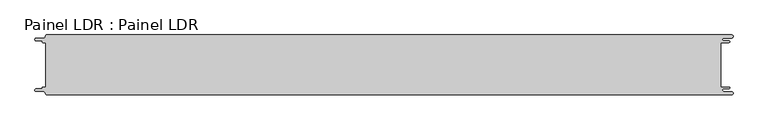
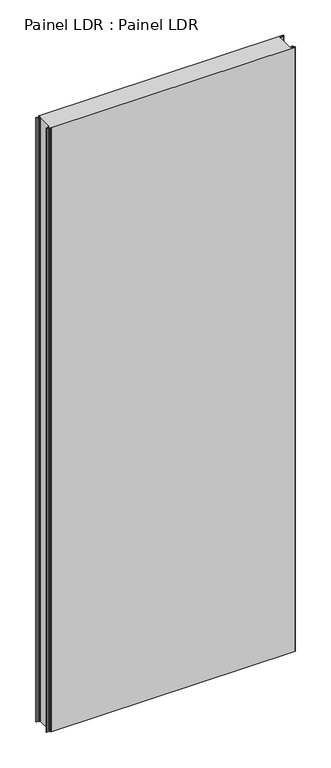
"""IFC4 building model written with IfcOpenShell, lengths in millimetres: proxy geometry, Painel LDR : Painel LDR."""

import ifcopenshell
import ifcopenshell.guid

model = None  # the IFC model being written
_history = None  # IfcOwnerHistory: only IFC2X3 demands one
_inside = {}  # id of a spatial element -> (the spatial element, [elements in it])
_under = {}  # id of a project, library or spatial element -> (it, [spatial elements below it])
_declared = {}  # id of a project -> (the project, [libraries it declares])
_typed = {}  # id of a type object -> (the type object, [elements of that type])
_made_of = {}  # id of a material, layer set ... -> (it, [elements and type objects made of it])


def new_model(schema):
    """Start an empty IFC model of exactly this schema.

    Asked for "IFC4X3", IfcOpenShell would pick the latest addendum, in which some entities
    have other attributes; the version numbers below select the first issue.
    IFC2X3 requires an IfcOwnerHistory on every rooted entity: one is made here for all.
    """
    global model, _history
    if schema == "IFC4X3":
        model = ifcopenshell.file(schema_version=(4, 3, 0, 0))
    else:
        model = ifcopenshell.file(schema=schema)
    _inside.clear()
    _under.clear()
    _declared.clear()
    _typed.clear()
    _made_of.clear()
    _history = None
    if model.schema == "IFC2X3":
        org = make("IfcOrganization", Name="unknown")
        user = make(
            "IfcPersonAndOrganization",
            ThePerson=make("IfcPerson", FamilyName="unknown"),
            TheOrganization=org,
        )
        app = make(
            "IfcApplication",
            ApplicationDeveloper=org,
            Version="unknown",
            ApplicationFullName="unknown",
            ApplicationIdentifier="unknown",
        )
        _history = make(
            "IfcOwnerHistory",
            OwningUser=user,
            OwningApplication=app,
            ChangeAction="ADDED",
            CreationDate=0,
        )
    return model


def make(cls, **values):
    """One entity of the class cls with the attributes given. An attribute that is None is left unset."""
    return model.create_entity(
        cls, **{name: value for name, value in values.items() if value is not None}
    )


def rooted(cls, **values):
    """An entity with a GlobalId (a new one), such as an element, a storey or a relation."""
    return make(cls, GlobalId=ifcopenshell.guid.new(), OwnerHistory=_history, **values)


def si_unit(unit_type, name, prefix=None):
    """IfcSIUnit, for example si_unit("LENGTHUNIT", "METRE", prefix="MILLI")."""
    return make("IfcSIUnit", UnitType=unit_type, Prefix=prefix, Name=name)


def assignment(units):
    """IfcUnitAssignment: the units of a project."""
    return None if units is None else make("IfcUnitAssignment", Units=units)


def point(xyz):
    """IfcCartesianPoint."""
    return None if xyz is None else make("IfcCartesianPoint", Coordinates=xyz)


def direction(xyz):
    """IfcDirection."""
    return None if xyz is None else make("IfcDirection", DirectionRatios=xyz)


def frame(location, z_axis=None, x_axis=None):
    """IfcAxis2Placement3D, a coordinate frame: its origin and axes. An axis left out is left unset."""
    return make(
        "IfcAxis2Placement3D",
        Location=point(location),
        Axis=direction(z_axis),
        RefDirection=direction(x_axis),
    )


def origin():
    """The frame at (0, 0, 0) with its axes left unset."""
    return frame((0.0, 0.0, 0.0))


def place(relative_to, where):
    """IfcLocalPlacement: puts the frame where relative to a parent placement (None: the world)."""
    return make(
        "IfcLocalPlacement", PlacementRelTo=relative_to, RelativePlacement=where
    )


def context(
    kind, dimensions, precision=None, world=None, true_north=None, identifier=None
):
    """IfcGeometricRepresentationContext, for example the 3D "Model" context."""
    return make(
        "IfcGeometricRepresentationContext",
        ContextIdentifier=identifier,
        ContextType=kind,
        CoordinateSpaceDimension=dimensions,
        Precision=precision,
        WorldCoordinateSystem=world,
        TrueNorth=true_north,
    )


def project(units=None, contexts=None):
    """IfcProject with its units and contexts."""
    return rooted(
        "IfcProject",
        Name="project",
        RepresentationContexts=contexts,
        UnitsInContext=assignment(units),
    )


def spatial(cls, under=None, at=None, **own):
    """A site, building, storey or space (cls), placed at a placement, below another one or the project."""
    s = rooted(cls, ObjectPlacement=at, **own)
    if under is not None:
        _under.setdefault(under.id(), (under, []))[1].append(s)
    return s


def polyline(points):
    """IfcPolyline through the points."""
    return make("IfcPolyline", Points=[point(p) for p in points])


def circle_curve(where, radius):
    """IfcCircle in the frame where."""
    return make("IfcCircle", Position=where, Radius=radius)


def shape(context_of_items, identifier, shape_type, items):
    """IfcShapeRepresentation: the items that make up one representation, for example the "Body"."""
    return make(
        "IfcShapeRepresentation",
        ContextOfItems=context_of_items,
        RepresentationIdentifier=identifier,
        RepresentationType=shape_type,
        Items=items,
    )


def source(mapping_origin, context_of_items, identifier, shape_type, items):
    """IfcRepresentationMap: a shape defined once, which mapped items show again and again."""
    return make(
        "IfcRepresentationMap",
        MappingOrigin=mapping_origin,
        MappedRepresentation=shape(context_of_items, identifier, shape_type, items),
    )


def transform(
    local_origin,
    x_axis=None,
    y_axis=None,
    z_axis=None,
    scale=None,
    scale2=None,
    scale3=None,
    uniform=True,
):
    """IfcCartesianTransformationOperator3D, or its non-uniform kind. x_axis, y_axis, z_axis: its Axis1, 2, 3."""
    if uniform:
        return make(
            "IfcCartesianTransformationOperator3D",
            Axis1=direction(x_axis),
            Axis2=direction(y_axis),
            LocalOrigin=point(local_origin),
            Scale=scale,
            Axis3=direction(z_axis),
        )
    return make(
        "IfcCartesianTransformationOperator3DnonUniform",
        Axis1=direction(x_axis),
        Axis2=direction(y_axis),
        LocalOrigin=point(local_origin),
        Scale=scale,
        Axis3=direction(z_axis),
        Scale2=scale2,
        Scale3=scale3,
    )


def mapped(mapping_source, mapping_target):
    """IfcMappedItem: shows the shape of a source again, moved by a transform."""
    return make(
        "IfcMappedItem", MappingSource=mapping_source, MappingTarget=mapping_target
    )


def made_of(thing, what):
    """Note that an element or type object is made of a material, layer set ...; save() writes the relation."""
    if what is not None:
        _made_of.setdefault(what.id(), (what, []))[1].append(thing)
    return thing


def element(
    cls,
    number,
    at=None,
    inside=None,
    cuts=None,
    type_object=None,
    material=None,
    context=None,
    identifier="Body",
    shape_type=None,
    held_by="IfcProductDefinitionShape",
    body=None,
    shapes=None,
    **own,
):
    """One element of the class cls, such as IfcWall. Its Tag is "e" and its number.

    at: its placement. inside: the storey or other place that contains it. cuts: it is an
    opening in that element (IfcRelVoidsElement). A single representation is given by context,
    identifier, shape_type and body (its items); several are given by shapes. held_by: the class
    of the entity that holds the representations. save() writes the other relations.
    """
    e = rooted(cls, Tag="e%d" % number, ObjectPlacement=at, **own)
    if body is not None:
        shapes = [shape(context, identifier, shape_type, body)]
    if shapes is not None:
        e.Representation = make(held_by, Representations=shapes)
    if inside is not None:
        _inside.setdefault(inside.id(), (inside, []))[1].append(e)
    if cuts is not None:
        rooted(
            "IfcRelVoidsElement", RelatingBuildingElement=cuts, RelatedOpeningElement=e
        )
    if type_object is not None:
        _typed.setdefault(type_object.id(), (type_object, []))[1].append(e)
    return made_of(e, material)


def aggregate(whole, parts):
    """IfcRelAggregates: a whole, such as a stair, and the parts it consists of."""
    return rooted("IfcRelAggregates", RelatingObject=whole, RelatedObjects=parts)


def save(model, path):
    """Write the relations noted so far, then the file.

    IfcRelAggregates (storeys below a building ...), IfcRelContainedInSpatialStructure (elements
    in a storey), IfcRelDefinesByType, IfcRelAssociatesMaterial and IfcRelDeclares: one each for
    every whole, place, type object, material and project.
    """
    for whole, parts in _under.values():
        aggregate(whole, parts)
    for where, things in _inside.values():
        rooted(
            "IfcRelContainedInSpatialStructure",
            RelatedElements=things,
            RelatingStructure=where,
        )
    for kind, things in _typed.values():
        rooted("IfcRelDefinesByType", RelatedObjects=things, RelatingType=kind)
    for what, things in _made_of.values():
        rooted("IfcRelAssociatesMaterial", RelatedObjects=things, RelatingMaterial=what)
    for by, libraries in _declared.values():
        rooted("IfcRelDeclares", RelatingContext=by, RelatedDefinitions=libraries)
    model.write(path)


def plane_surface(at):
    """IfcPlane: the flat surface through the origin of the frame at, square to its z axis."""
    return make("IfcPlane", Position=at)


def cylinder_surface(at, radius):
    """IfcCylindricalSurface: all points at the distance radius from the z axis of the frame at."""
    return make("IfcCylindricalSurface", Position=at, Radius=radius)


def revolved_surface(curve, axis_point, axis_direction):
    """IfcSurfaceOfRevolution: the curve turned about the line through axis_point along axis_direction."""
    return make(
        "IfcSurfaceOfRevolution",
        SweptCurve=make("IfcArbitraryOpenProfileDef", ProfileType="CURVE", Curve=curve),
        AxisPosition=make("IfcAxis1Placement", Location=point(axis_point), Axis=direction(axis_direction)),
    )


def advanced_brep(points, edges, surfaces, faces):
    """IfcAdvancedBrep: a solid bounded by faces that lie on surfaces and meet in shared edges.

    An edge is (start, end): straight between two places in points (the first is 0);
    or (start, end, curve); or (start, end, curve, False) where it runs against its curve.
    A face is (place in surfaces, loops), or (place, loops, False) where it looks against
    its surface's normal. A loop lists edges by number (the first is 1), with a minus sign
    where the edge is run from its end to its start. The first loop is the outer one.
    """
    corners = [point(p) for p in points]
    vertices = [make("IfcVertexPoint", VertexGeometry=c) for c in corners]
    made = []
    for start, end, *more in edges:
        made.append(
            make(
                "IfcEdgeCurve",
                EdgeStart=vertices[start],
                EdgeEnd=vertices[end],
                EdgeGeometry=more[0] if more else make("IfcPolyline", Points=[corners[start], corners[end]]),
                SameSense=more[1] if len(more) > 1 else True,
            )
        )
    hull = []
    for where, loops, *sense in faces:
        bounds = []
        for j, loop in enumerate(loops):
            ring = [make("IfcOrientedEdge", EdgeElement=made[abs(k) - 1], Orientation=k > 0) for k in loop]
            bounds.append(
                make(
                    "IfcFaceOuterBound" if j == 0 else "IfcFaceBound",
                    Bound=make("IfcEdgeLoop", EdgeList=ring),
                    Orientation=True,
                )
            )
        hull.append(make("IfcAdvancedFace", Bounds=bounds, FaceSurface=surfaces[where], SameSense=sense[0] if sense else True))
    return make("IfcAdvancedBrep", Outer=make("IfcClosedShell", CfsFaces=hull))


def painel_ldr_painel_ldr_cb3da493(model_context):
    return source(origin(), model_context, "Body", "AdvancedBrep", [
        advanced_brep(
        [(-579.5093748, 37.3, 3000.0), (-574.2218362, 37.3, 3000.0), (-574.2218362, -37.2999995, 3000.0), (-579.5093748, -37.2999995, 3000.0), (-580.1093753, -37.9, 3000.0), (-580.1093753, -38.7085185, 3000.0), (-581.5093753, -40.1085185, 3000.0), (-590.4875, -40.1085185, 3000.0), (-590.4875, -44.5085185, 3000.0), (-578.471875, -44.5085185, 3000.0), (-574.921875, -48.0585185, 3000.0), (-572.971875, -50.0, 3000.0), (572.284375, -50.0, 3000.0), (572.284375, -44.725, 3000.0), (559.378125, -44.725, 3000.0), (559.378125, -39.875, 3000.0), (568.0406253, -39.875, 3000.0), (568.0406253, -37.3, 3000.0), (554.1906253, -37.3, 3000.0), (554.1906253, 37.3, 3000.0), (568.0406253, 37.3, 3000.0), (568.0406253, 39.875, 3000.0), (559.378125, 39.875, 3000.0), (559.378125, 44.725, 3000.0), (572.284375, 44.725, 3000.0), (572.284375, 50.0, 3000.0), (-572.971875, 50.0, 3000.0), (-574.921875, 48.05, 3000.0), (-578.471875, 44.5085185, 3000.0), (-590.4875, 44.5085185, 3000.0), (-590.4875, 40.1085187, 3000.0), (-581.5093751, 40.1085187, 3000.0), (-580.1093748, 38.7085184, 3000.0), (-580.1093748, 37.9, 3000.0), (-579.5093748, 37.3, 0.0), (-580.1093748, 37.9, 0.0), (-580.1093748, 38.7085184, 0.0), (-581.5093751, 40.1085187, 0.0), (-590.4875, 40.1085187, 0.0), (-590.4875, 44.5085185, 0.0), (-578.471875, 44.5085185, 0.0), (-574.921875, 48.0585185, 0.0), (-572.971875, 50.0, 0.0), (572.284375, 50.0, 0.0), (572.284375, 44.725, 0.0), (559.378125, 44.725, 0.0), (559.378125, 39.875, 0.0), (568.0406253, 39.875, 0.0), (568.0406253, 37.3, 0.0), (554.1906253, 37.3, 0.0), (554.1906253, -37.3, 0.0), (568.0406253, -37.3, 0.0), (568.0406253, -39.875, 0.0), (559.378125, -39.875, 0.0), (559.378125, -44.725, 0.0), (572.284375, -44.725, 0.0), (572.284375, -50.0, 0.0), (-572.971875, -50.0, 0.0), (-574.921875, -48.05, 0.0), (-578.471875, -44.5085185, 0.0), (-590.4875, -44.5085185, 0.0), (-590.4875, -40.1085185, 0.0), (-581.5093753, -40.1085185, 0.0), (-580.1093753, -38.7085185, 0.0), (-580.1093753, -37.9, 0.0), (-579.5093748, -37.2999995, 0.0), (-574.2218362, -37.2999995, 0.0), (-574.2218362, 37.3, 0.0)],
        [
            (0, 1),
            (1, 2),
            (2, 3),
            (3, 4, circle_curve(frame((-579.5093748, -37.9, 3000.0), z_axis=(0.0, 0.0, 1.0), x_axis=(1.0, 0.0, 0.0)), 0.6000005)),
            (4, 5),
            (5, 6, circle_curve(frame((-581.5093753, -38.7085185, 3000.0), z_axis=(0.0, 0.0, -1.0), x_axis=(1.0, 0.0, 0.0)), 1.4)),
            (6, 7),
            (7, 8, circle_curve(frame((-590.4875, -42.3085185, 3000.0), z_axis=(0.0, 0.0, 1.0), x_axis=(1.0, 0.0, 0.0)), 2.2)),
            (8, 9),
            (9, 10, circle_curve(frame((-578.471875, -48.0585185, 3000.0), z_axis=(0.0, 0.0, -1.0), x_axis=(1.0, 0.0, 0.0)), 3.55)),
            (10, 11, circle_curve(frame((-572.971875, -48.05, 3000.0), z_axis=(0.0, 0.0, 1.0), x_axis=(1.0, 0.0, 0.0)), 1.95)),
            (11, 12),
            (12, 13, circle_curve(frame((572.284375, -47.3625, 3000.0), z_axis=(0.0, 0.0, 1.0), x_axis=(1.0, 0.0, 0.0)), 2.6375)),
            (13, 14),
            (14, 15, circle_curve(frame((559.378125, -42.3, 3000.0), z_axis=(0.0, 0.0, -1.0), x_axis=(1.0, 0.0, 0.0)), 2.425)),
            (15, 16),
            (16, 17, circle_curve(frame((568.0406253, -38.5875, 3000.0), z_axis=(0.0, 0.0, 1.0), x_axis=(1.0, 0.0, 0.0)), 1.2875)),
            (17, 18),
            (18, 19),
            (19, 20),
            (20, 21, circle_curve(frame((568.0406253, 38.5875, 3000.0), z_axis=(0.0, 0.0, 1.0), x_axis=(1.0, 0.0, 0.0)), 1.2875)),
            (21, 22),
            (22, 23, circle_curve(frame((559.378125, 42.3, 3000.0), z_axis=(0.0, 0.0, -1.0), x_axis=(1.0, 0.0, 0.0)), 2.425)),
            (23, 24),
            (24, 25, circle_curve(frame((572.284375, 47.3625, 3000.0), z_axis=(0.0, 0.0, 1.0), x_axis=(1.0, 0.0, 0.0)), 2.6375)),
            (25, 26),
            (26, 27, circle_curve(frame((-572.971875, 48.05, 3000.0), z_axis=(0.0, 0.0, 1.0), x_axis=(1.0, 0.0, 0.0)), 1.95)),
            (27, 28, circle_curve(frame((-578.471875, 48.0585185, 3000.0), z_axis=(0.0, 0.0, -1.0), x_axis=(1.0, 0.0, 0.0)), 3.55)),
            (28, 29),
            (29, 30, circle_curve(frame((-590.4875, 42.3085186, 3000.0), z_axis=(0.0, 0.0, 1.0), x_axis=(1.0, 0.0, 0.0)), 2.1999999)),
            (30, 31),
            (31, 32, circle_curve(frame((-581.5093751, 38.7085184, 3000.0), z_axis=(0.0, 0.0, -1.0), x_axis=(1.0, 0.0, 0.0)), 1.4000003)),
            (32, 33),
            (33, 0, circle_curve(frame((-579.5093748, 37.9, 3000.0), z_axis=(0.0, 0.0, 1.0), x_axis=(1.0, 0.0, 0.0)), 0.6)),
            (34, 35, circle_curve(frame((-579.5093748, 37.9, 0.0), z_axis=(0.0, 0.0, -1.0), x_axis=(1.0, 0.0, 0.0)), 0.6)),
            (35, 36),
            (36, 37, circle_curve(frame((-581.5093751, 38.7085184, 0.0), z_axis=(0.0, 0.0, 1.0), x_axis=(1.0, 0.0, 0.0)), 1.4000003)),
            (37, 38),
            (38, 39, circle_curve(frame((-590.4875, 42.3085186, 0.0), z_axis=(0.0, 0.0, -1.0), x_axis=(1.0, 0.0, 0.0)), 2.1999999)),
            (39, 40),
            (40, 41, circle_curve(frame((-578.471875, 48.0585185, 0.0), z_axis=(0.0, 0.0, 1.0), x_axis=(1.0, 0.0, 0.0)), 3.55)),
            (41, 42, circle_curve(frame((-572.971875, 48.05, 0.0), z_axis=(0.0, 0.0, -1.0), x_axis=(1.0, 0.0, 0.0)), 1.95)),
            (42, 43),
            (43, 44, circle_curve(frame((572.284375, 47.3625, 0.0), z_axis=(0.0, 0.0, -1.0), x_axis=(1.0, 0.0, 0.0)), 2.6375)),
            (44, 45),
            (45, 46, circle_curve(frame((559.378125, 42.3, 0.0), z_axis=(0.0, 0.0, 1.0), x_axis=(1.0, 0.0, 0.0)), 2.425)),
            (46, 47),
            (47, 48, circle_curve(frame((568.0406253, 38.5875, 0.0), z_axis=(0.0, 0.0, -1.0), x_axis=(1.0, 0.0, 0.0)), 1.2875)),
            (48, 49),
            (49, 50),
            (50, 51),
            (51, 52, circle_curve(frame((568.0406253, -38.5875, 0.0), z_axis=(0.0, 0.0, -1.0), x_axis=(1.0, 0.0, 0.0)), 1.2875)),
            (52, 53),
            (53, 54, circle_curve(frame((559.378125, -42.3, 0.0), z_axis=(0.0, 0.0, 1.0), x_axis=(1.0, 0.0, 0.0)), 2.425)),
            (54, 55),
            (55, 56, circle_curve(frame((572.284375, -47.3625, 0.0), z_axis=(0.0, 0.0, -1.0), x_axis=(1.0, 0.0, 0.0)), 2.6375)),
            (56, 57),
            (57, 58, circle_curve(frame((-572.971875, -48.05, 0.0), z_axis=(0.0, 0.0, -1.0), x_axis=(1.0, 0.0, 0.0)), 1.95)),
            (58, 59, circle_curve(frame((-578.471875, -48.0585185, 0.0), z_axis=(0.0, 0.0, 1.0), x_axis=(1.0, 0.0, 0.0)), 3.55)),
            (59, 60),
            (60, 61, circle_curve(frame((-590.4875, -42.3085185, 0.0), z_axis=(0.0, 0.0, -1.0), x_axis=(1.0, 0.0, 0.0)), 2.2)),
            (61, 62),
            (62, 63, circle_curve(frame((-581.5093753, -38.7085185, 0.0), z_axis=(0.0, 0.0, 1.0), x_axis=(1.0, 0.0, 0.0)), 1.4)),
            (63, 64),
            (64, 65, circle_curve(frame((-579.5093748, -37.9, 0.0), z_axis=(0.0, 0.0, -1.0), x_axis=(1.0, 0.0, 0.0)), 0.6000005)),
            (65, 66),
            (66, 67),
            (67, 34),
            (0, 34),
            (67, 1),
            (66, 2),
            (65, 3),
            (64, 4),
            (63, 5),
            (62, 6),
            (61, 7),
            (60, 8),
            (59, 9),
            (58, 10),
            (57, 11),
            (56, 12),
            (18, 50),
            (49, 19),
            (48, 20),
            (47, 21),
            (46, 22),
            (45, 23),
            (44, 24),
            (43, 25),
            (42, 26),
            (41, 27),
            (40, 28),
            (39, 29),
            (38, 30),
            (37, 31),
            (36, 32),
            (35, 33),
            (55, 13),
            (54, 14),
            (53, 15),
            (52, 16),
            (51, 17),
        ],
        [
            plane_surface(frame((-574.2218362, 37.3, 3000.0), z_axis=(0.0, 0.0, 1.0), x_axis=(1.0, 0.0, 0.0))),
            plane_surface(frame((-574.2218362, 37.3, 0.0), z_axis=(0.0, 0.0, -1.0), x_axis=(-1.0, 0.0, 0.0))),
            plane_surface(frame((-579.5093748, 37.3, 3000.0), z_axis=(0.0, -1.0, 0.0), x_axis=(0.0, 0.0, -1.0))),
            plane_surface(frame((-574.2218362, 37.3, 3000.0), z_axis=(-1.0, 0.0, 0.0), x_axis=(0.0, 0.0, -1.0))),
            plane_surface(frame((-574.2218362, -37.2999995, 3000.0), z_axis=(0.0, 1.0, 0.0), x_axis=(0.0, 0.0, -1.0))),
            cylinder_surface(frame((-579.5093748, -37.9, 0.0), z_axis=(0.0, 0.0, 1.0), x_axis=(1.0, 0.0, 0.0)), 0.6000005),
            plane_surface(frame((-580.1093753, -37.9, 3000.0), z_axis=(-1.0, 1.7578608662328141e-12, 0.0), x_axis=(0.0, 0.0, -1.0))),
            revolved_surface(polyline([(-580.1093753, -38.7085185, 0.0), (-580.1093753, -38.7085185, 3000.0)]), (-581.5093753, -38.7085185, 0.0), (0.0, 0.0, -1.0)),
            plane_surface(frame((-581.5093753, -40.1085185, 3000.0), z_axis=(0.0, 1.0, 0.0), x_axis=(0.0, 0.0, -1.0))),
            cylinder_surface(frame((-590.4875, -42.3085185, 0.0), z_axis=(0.0, 0.0, 1.0), x_axis=(1.0, 0.0, 0.0)), 2.2),
            plane_surface(frame((-590.4875, -44.5085185, 3000.0), z_axis=(0.0, -1.0, 0.0), x_axis=(0.0, 0.0, -1.0))),
            revolved_surface(polyline([(-574.921875, -48.0585185, 0.0), (-574.921875, -48.0585185, 3000.0)]), (-578.471875, -48.0585185, 0.0), (0.0, 0.0, -1.0)),
            cylinder_surface(frame((-572.971875, -48.05, 0.0), z_axis=(0.0, 0.0, 1.0), x_axis=(1.0, 0.0, 0.0)), 1.95),
            plane_surface(frame((-572.971875, -50.0, 3000.0), z_axis=(0.0, -1.0, 0.0), x_axis=(0.0, 0.0, -1.0))),
            plane_surface(frame((554.1906253, -37.3, 3000.0), z_axis=(1.0, 0.0, 0.0), x_axis=(0.0, 0.0, -1.0))),
            plane_surface(frame((554.1906253, 37.3, 3000.0), z_axis=(0.0, -1.0, 0.0), x_axis=(0.0, 0.0, -1.0))),
            cylinder_surface(frame((568.0406253, 38.5875, 0.0), z_axis=(0.0, 0.0, 1.0), x_axis=(1.0, 0.0, 0.0)), 1.2875),
            plane_surface(frame((568.0406253, 39.875, 3000.0), z_axis=(0.0, 1.0, 0.0), x_axis=(0.0, 0.0, -1.0))),
            revolved_surface(polyline([(561.8031249999999, 42.3, 0.0), (561.8031249999999, 42.3, 3000.0)]), (559.378125, 42.3, 0.0), (0.0, 0.0, -1.0)),
            plane_surface(frame((559.378125, 44.725, 3000.0), z_axis=(0.0, -1.0, 0.0), x_axis=(0.0, 0.0, -1.0))),
            cylinder_surface(frame((572.284375, 47.3625, 0.0), z_axis=(0.0, 0.0, 1.0), x_axis=(1.0, 0.0, 0.0)), 2.6375),
            plane_surface(frame((572.284375, 50.0, 3000.0), z_axis=(0.0, 1.0, 0.0), x_axis=(0.0, 0.0, -1.0))),
            cylinder_surface(frame((-572.971875, 48.05, 0.0), z_axis=(0.0, 0.0, 1.0), x_axis=(1.0, 0.0, 0.0)), 1.95),
            revolved_surface(polyline([(-574.921875, 48.0585185, 0.0), (-574.921875, 48.0585185, 3000.0)]), (-578.471875, 48.0585185, 0.0), (0.0, 0.0, -1.0)),
            plane_surface(frame((-578.471875, 44.5085185, 3000.0), z_axis=(0.0, 1.0, 0.0), x_axis=(0.0, 0.0, -1.0))),
            cylinder_surface(frame((-590.4875, 42.3085186, 0.0), z_axis=(0.0, 0.0, 1.0), x_axis=(1.0, 0.0, 0.0)), 2.1999999),
            plane_surface(frame((-590.4875, 40.1085187, 3000.0), z_axis=(0.0, -1.0, 0.0), x_axis=(0.0, 0.0, -1.0))),
            revolved_surface(polyline([(-580.1093748000001, 38.7085184, 0.0), (-580.1093748000001, 38.7085184, 3000.0)]), (-581.5093751, 38.7085184, 0.0), (0.0, 0.0, -1.0)),
            plane_surface(frame((-580.1093748, 38.7085184, 3000.0), z_axis=(-1.0, 0.0, 0.0), x_axis=(0.0, 0.0, -1.0))),
            cylinder_surface(frame((-579.5093748, 37.9, 0.0), z_axis=(0.0, 0.0, 1.0), x_axis=(1.0, 0.0, 0.0)), 0.6),
            cylinder_surface(frame((572.284375, -47.3625, 0.0), z_axis=(0.0, 0.0, 1.0), x_axis=(1.0, 0.0, 0.0)), 2.6375),
            plane_surface(frame((572.284375, -44.725, 3000.0), z_axis=(0.0, 1.0, 0.0), x_axis=(0.0, 0.0, -1.0))),
            revolved_surface(polyline([(561.8031249999999, -42.3, 0.0), (561.8031249999999, -42.3, 3000.0)]), (559.378125, -42.3, 0.0), (0.0, 0.0, -1.0)),
            plane_surface(frame((559.378125, -39.875, 3000.0), z_axis=(0.0, -1.0, 0.0), x_axis=(0.0, 0.0, -1.0))),
            cylinder_surface(frame((568.0406253, -38.5875, 0.0), z_axis=(0.0, 0.0, 1.0), x_axis=(1.0, 0.0, 0.0)), 1.2875),
            plane_surface(frame((568.0406253, -37.3, 3000.0), z_axis=(0.0, 1.0, 0.0), x_axis=(0.0, 0.0, -1.0))),
        ],
        [
            (0, [[1, 2, 3, 4, 5, 6, 7, 8, 9, 10, 11, 12, 13, 14, 15, 16, 17, 18, 19, 20, 21, 22, 23, 24, 25, 26, 27, 28, 29, 30, 31, 32, 33, 34]]),
            (1, [[35, 36, 37, 38, 39, 40, 41, 42, 43, 44, 45, 46, 47, 48, 49, 50, 51, 52, 53, 54, 55, 56, 57, 58, 59, 60, 61, 62, 63, 64, 65, 66, 67, 68]]),
            (2, [[-1, 69, -68, 70]]),
            (3, [[-2, -70, -67, 71]]),
            (4, [[-3, -71, -66, 72]]),
            (5, [[-4, -72, -65, 73]]),
            (6, [[-5, -73, -64, 74]]),
            (7, [[-6, -74, -63, 75]]),
            (8, [[-7, -75, -62, 76]]),
            (9, [[-8, -76, -61, 77]]),
            (10, [[-9, -77, -60, 78]]),
            (11, [[-10, -78, -59, 79]]),
            (12, [[-11, -79, -58, 80]]),
            (13, [[-12, -80, -57, 81]]),
            (14, [[-19, 82, -50, 83]]),
            (15, [[-20, -83, -49, 84]]),
            (16, [[-21, -84, -48, 85]]),
            (17, [[-22, -85, -47, 86]]),
            (18, [[-23, -86, -46, 87]]),
            (19, [[-24, -87, -45, 88]]),
            (20, [[-25, -88, -44, 89]]),
            (21, [[-26, -89, -43, 90]]),
            (22, [[-27, -90, -42, 91]]),
            (23, [[-28, -91, -41, 92]]),
            (24, [[-29, -92, -40, 93]]),
            (25, [[-30, -93, -39, 94]]),
            (26, [[-31, -94, -38, 95]]),
            (27, [[-32, -95, -37, 96]]),
            (28, [[-33, -96, -36, 97]]),
            (29, [[-34, -97, -35, -69]]),
            (30, [[-13, -81, -56, 98]]),
            (31, [[-14, -98, -55, 99]]),
            (32, [[-15, -99, -54, 100]]),
            (33, [[-16, -100, -53, 101]]),
            (34, [[-17, -101, -52, 102]]),
            (35, [[-18, -102, -51, -82]]),
        ],
    ),
    ])


if __name__ == "__main__":
    model = new_model("IFC4")
    model_context = context("Model", 3, world=origin())
    ifc_project = project(units=[si_unit("LENGTHUNIT", "METRE", prefix="MILLI")], contexts=[model_context])
    site = spatial("IfcSite", under=ifc_project)
    building = spatial("IfcBuilding", under=site)
    placement = place(None, origin())
    painel_ldr_painel_ldr_shape = painel_ldr_painel_ldr_cb3da493(model_context)
    element("IfcBuildingElementProxy", 1, Name="Painel LDR : Painel LDR", ObjectType="Painel LDR : Painel LDR", at=placement, inside=building, context=model_context, shape_type="MappedRepresentation", body=[
        mapped(painel_ldr_painel_ldr_shape, transform((0.0, 0.0, 0.0), x_axis=(1.0, 0.0, 0.0), y_axis=(0.0, 1.0, 0.0), z_axis=(0.0, 0.0, 1.0))),
    ])
    save(model, "model.ifc")
